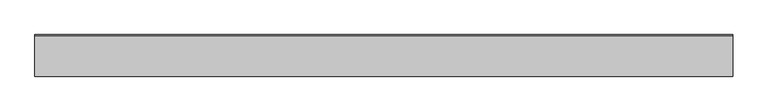
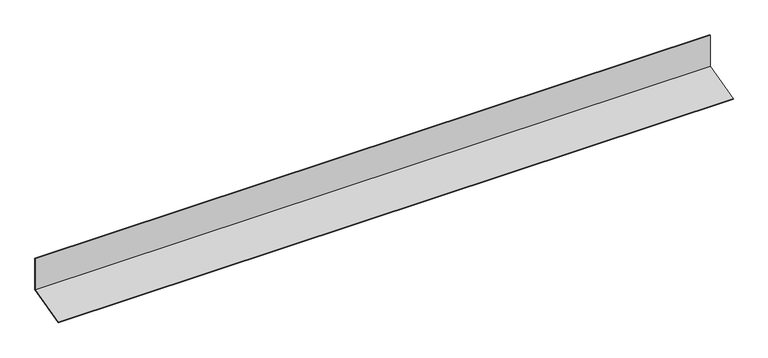
"""IFC4 building model written with IfcOpenShell, lengths in millimetres: proxy geometry."""

from ifc_helpers import new_model, si_unit, frame, origin, place, context, project, spatial, polyline, outline, extrude, source, transform, mapped, element, save


def generic_models_ed2bcc53(model_context):
    return source(origin(), model_context, "Body", "SweptSolid", [
        extrude(outline(polyline([(-10132.2979315, 1774.4460745), (-10132.2979315, 1830.0913228), (-10131.2979315, 1830.0913228), (-10131.2979315, 1773.6787475), (-10199.553268, 1755.3897852), (-10199.812087, 1756.355711), (-10132.2979315, 1774.4460745)])), frame((-8420.666048, 0.0, 0.0), z_axis=(1.0, 0.0, 0.0), x_axis=(0.0, 1.0, 0.0)), (0.0, 0.0, 1.0), 1150.0),
    ])


if __name__ == "__main__":
    model = new_model("IFC4")
    model_context = context("Model", 3, world=origin())
    ifc_project = project(units=[si_unit("LENGTHUNIT", "METRE", prefix="MILLI")], contexts=[model_context])
    site = spatial("IfcSite", under=ifc_project)
    building = spatial("IfcBuilding", under=site)
    placement = place(None, origin())
    generic_models_shape = generic_models_ed2bcc53(model_context)
    element("IfcBuildingElementProxy", 1, Name="Generic Models", at=placement, inside=building, context=model_context, shape_type="MappedRepresentation", body=[
        mapped(generic_models_shape, transform((0.0, 0.0, 0.0), x_axis=(1.0, 0.0, 0.0), y_axis=(0.0, 1.0, 0.0), z_axis=(0.0, 0.0, 1.0))),
    ])
    save(model, "model.ifc")
